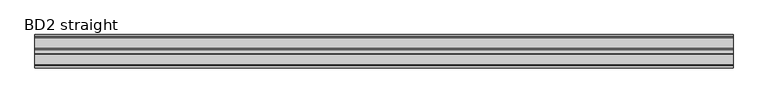
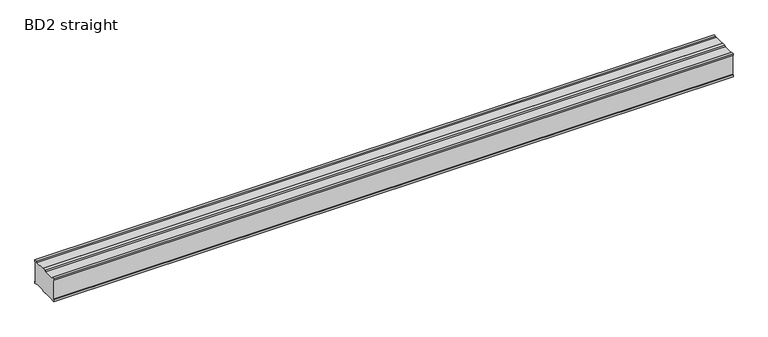
"""IFC4 building model written with IfcOpenShell, lengths in millimetres: proxy geometry, BD2 straight."""

import ifcopenshell
import ifcopenshell.guid

model = None  # the IFC model being written
_history = None  # IfcOwnerHistory: only IFC2X3 demands one
_inside = {}  # id of a spatial element -> (the spatial element, [elements in it])
_under = {}  # id of a project, library or spatial element -> (it, [spatial elements below it])
_declared = {}  # id of a project -> (the project, [libraries it declares])
_typed = {}  # id of a type object -> (the type object, [elements of that type])
_made_of = {}  # id of a material, layer set ... -> (it, [elements and type objects made of it])


def new_model(schema):
    """Start an empty IFC model of exactly this schema.

    Asked for "IFC4X3", IfcOpenShell would pick the latest addendum, in which some entities
    have other attributes; the version numbers below select the first issue.
    IFC2X3 requires an IfcOwnerHistory on every rooted entity: one is made here for all.
    """
    global model, _history
    if schema == "IFC4X3":
        model = ifcopenshell.file(schema_version=(4, 3, 0, 0))
    else:
        model = ifcopenshell.file(schema=schema)
    _inside.clear()
    _under.clear()
    _declared.clear()
    _typed.clear()
    _made_of.clear()
    _history = None
    if model.schema == "IFC2X3":
        org = make("IfcOrganization", Name="unknown")
        user = make(
            "IfcPersonAndOrganization",
            ThePerson=make("IfcPerson", FamilyName="unknown"),
            TheOrganization=org,
        )
        app = make(
            "IfcApplication",
            ApplicationDeveloper=org,
            Version="unknown",
            ApplicationFullName="unknown",
            ApplicationIdentifier="unknown",
        )
        _history = make(
            "IfcOwnerHistory",
            OwningUser=user,
            OwningApplication=app,
            ChangeAction="ADDED",
            CreationDate=0,
        )
    return model


def make(cls, **values):
    """One entity of the class cls with the attributes given. An attribute that is None is left unset."""
    return model.create_entity(
        cls, **{name: value for name, value in values.items() if value is not None}
    )


def rooted(cls, **values):
    """An entity with a GlobalId (a new one), such as an element, a storey or a relation."""
    return make(cls, GlobalId=ifcopenshell.guid.new(), OwnerHistory=_history, **values)


def si_unit(unit_type, name, prefix=None):
    """IfcSIUnit, for example si_unit("LENGTHUNIT", "METRE", prefix="MILLI")."""
    return make("IfcSIUnit", UnitType=unit_type, Prefix=prefix, Name=name)


def assignment(units):
    """IfcUnitAssignment: the units of a project."""
    return None if units is None else make("IfcUnitAssignment", Units=units)


def point(xyz):
    """IfcCartesianPoint."""
    return None if xyz is None else make("IfcCartesianPoint", Coordinates=xyz)


def direction(xyz):
    """IfcDirection."""
    return None if xyz is None else make("IfcDirection", DirectionRatios=xyz)


def frame(location, z_axis=None, x_axis=None):
    """IfcAxis2Placement3D, a coordinate frame: its origin and axes. An axis left out is left unset."""
    return make(
        "IfcAxis2Placement3D",
        Location=point(location),
        Axis=direction(z_axis),
        RefDirection=direction(x_axis),
    )


def origin():
    """The frame at (0, 0, 0) with its axes left unset."""
    return frame((0.0, 0.0, 0.0))


def place(relative_to, where):
    """IfcLocalPlacement: puts the frame where relative to a parent placement (None: the world)."""
    return make(
        "IfcLocalPlacement", PlacementRelTo=relative_to, RelativePlacement=where
    )


def context(
    kind, dimensions, precision=None, world=None, true_north=None, identifier=None
):
    """IfcGeometricRepresentationContext, for example the 3D "Model" context."""
    return make(
        "IfcGeometricRepresentationContext",
        ContextIdentifier=identifier,
        ContextType=kind,
        CoordinateSpaceDimension=dimensions,
        Precision=precision,
        WorldCoordinateSystem=world,
        TrueNorth=true_north,
    )


def project(units=None, contexts=None):
    """IfcProject with its units and contexts."""
    return rooted(
        "IfcProject",
        Name="project",
        RepresentationContexts=contexts,
        UnitsInContext=assignment(units),
    )


def spatial(cls, under=None, at=None, **own):
    """A site, building, storey or space (cls), placed at a placement, below another one or the project."""
    s = rooted(cls, ObjectPlacement=at, **own)
    if under is not None:
        _under.setdefault(under.id(), (under, []))[1].append(s)
    return s


def polyline(points):
    """IfcPolyline through the points."""
    return make("IfcPolyline", Points=[point(p) for p in points])


def outline(outer, holes=None, kind="AREA"):
    """IfcArbitraryClosedProfileDef: a profile drawn as a closed curve; with holes, ...WithVoids."""
    if holes is None:
        return make("IfcArbitraryClosedProfileDef", ProfileType=kind, OuterCurve=outer)
    return make(
        "IfcArbitraryProfileDefWithVoids",
        ProfileType=kind,
        OuterCurve=outer,
        InnerCurves=holes,
    )


def extrude(swept, where, along, depth):
    """IfcExtrudedAreaSolid: the profile swept, set in the frame where, extruded along a direction by depth."""
    return make(
        "IfcExtrudedAreaSolid",
        SweptArea=swept,
        Position=where,
        ExtrudedDirection=direction(along),
        Depth=depth,
    )


def shape(context_of_items, identifier, shape_type, items):
    """IfcShapeRepresentation: the items that make up one representation, for example the "Body"."""
    return make(
        "IfcShapeRepresentation",
        ContextOfItems=context_of_items,
        RepresentationIdentifier=identifier,
        RepresentationType=shape_type,
        Items=items,
    )


def source(mapping_origin, context_of_items, identifier, shape_type, items):
    """IfcRepresentationMap: a shape defined once, which mapped items show again and again."""
    return make(
        "IfcRepresentationMap",
        MappingOrigin=mapping_origin,
        MappedRepresentation=shape(context_of_items, identifier, shape_type, items),
    )


def transform(
    local_origin,
    x_axis=None,
    y_axis=None,
    z_axis=None,
    scale=None,
    scale2=None,
    scale3=None,
    uniform=True,
):
    """IfcCartesianTransformationOperator3D, or its non-uniform kind. x_axis, y_axis, z_axis: its Axis1, 2, 3."""
    if uniform:
        return make(
            "IfcCartesianTransformationOperator3D",
            Axis1=direction(x_axis),
            Axis2=direction(y_axis),
            LocalOrigin=point(local_origin),
            Scale=scale,
            Axis3=direction(z_axis),
        )
    return make(
        "IfcCartesianTransformationOperator3DnonUniform",
        Axis1=direction(x_axis),
        Axis2=direction(y_axis),
        LocalOrigin=point(local_origin),
        Scale=scale,
        Axis3=direction(z_axis),
        Scale2=scale2,
        Scale3=scale3,
    )


def mapped(mapping_source, mapping_target):
    """IfcMappedItem: shows the shape of a source again, moved by a transform."""
    return make(
        "IfcMappedItem", MappingSource=mapping_source, MappingTarget=mapping_target
    )


def made_of(thing, what):
    """Note that an element or type object is made of a material, layer set ...; save() writes the relation."""
    if what is not None:
        _made_of.setdefault(what.id(), (what, []))[1].append(thing)
    return thing


def element(
    cls,
    number,
    at=None,
    inside=None,
    cuts=None,
    type_object=None,
    material=None,
    context=None,
    identifier="Body",
    shape_type=None,
    held_by="IfcProductDefinitionShape",
    body=None,
    shapes=None,
    **own,
):
    """One element of the class cls, such as IfcWall. Its Tag is "e" and its number.

    at: its placement. inside: the storey or other place that contains it. cuts: it is an
    opening in that element (IfcRelVoidsElement). A single representation is given by context,
    identifier, shape_type and body (its items); several are given by shapes. held_by: the class
    of the entity that holds the representations. save() writes the other relations.
    """
    e = rooted(cls, Tag="e%d" % number, ObjectPlacement=at, **own)
    if body is not None:
        shapes = [shape(context, identifier, shape_type, body)]
    if shapes is not None:
        e.Representation = make(held_by, Representations=shapes)
    if inside is not None:
        _inside.setdefault(inside.id(), (inside, []))[1].append(e)
    if cuts is not None:
        rooted(
            "IfcRelVoidsElement", RelatingBuildingElement=cuts, RelatedOpeningElement=e
        )
    if type_object is not None:
        _typed.setdefault(type_object.id(), (type_object, []))[1].append(e)
    return made_of(e, material)


def aggregate(whole, parts):
    """IfcRelAggregates: a whole, such as a stair, and the parts it consists of."""
    return rooted("IfcRelAggregates", RelatingObject=whole, RelatedObjects=parts)


def save(model, path):
    """Write the relations noted so far, then the file.

    IfcRelAggregates (storeys below a building ...), IfcRelContainedInSpatialStructure (elements
    in a storey), IfcRelDefinesByType, IfcRelAssociatesMaterial and IfcRelDeclares: one each for
    every whole, place, type object, material and project.
    """
    for whole, parts in _under.values():
        aggregate(whole, parts)
    for where, things in _inside.values():
        rooted(
            "IfcRelContainedInSpatialStructure",
            RelatedElements=things,
            RelatingStructure=where,
        )
    for kind, things in _typed.values():
        rooted("IfcRelDefinesByType", RelatedObjects=things, RelatingType=kind)
    for what, things in _made_of.values():
        rooted("IfcRelAssociatesMaterial", RelatedObjects=things, RelatingMaterial=what)
    for by, libraries in _declared.values():
        rooted("IfcRelDeclares", RelatingContext=by, RelatedDefinitions=libraries)
    model.write(path)


def bd2_straight_38daa17c(model_context):
    return source(origin(), model_context, "Body", "SweptSolid", [
        extrude(outline(polyline([(162.0, 116.0), (162.0, 10.0), (167.0, 10.0), (167.0, 0.0), (157.0, 0.0), (152.0, 5.0), (98.5, 5.0), (93.5, 0.0), (73.5, 0.0), (68.5, 5.0), (15.0, 5.0), (10.0, 0.0), (0.0, 0.0), (0.0, 10.0), (5.0, 10.0), (5.0, 116.0), (0.0, 116.0), (0.0, 126.0), (10.0, 126.0), (15.0, 121.0), (68.5, 121.0), (73.5, 126.0), (93.5, 126.0), (98.5, 121.0), (152.0, 121.0), (157.0, 126.0), (167.0, 126.0), (167.0, 116.0), (162.0, 116.0)])), frame((0.0, 0.0, 0.0), z_axis=(1.0, 0.0, 0.0), x_axis=(0.0, 1.0, 0.0)), (0.0, 0.0, 1.0), 3500.0),
    ])


if __name__ == "__main__":
    model = new_model("IFC4")
    model_context = context("Model", 3, world=origin())
    ifc_project = project(units=[si_unit("LENGTHUNIT", "METRE", prefix="MILLI")], contexts=[model_context])
    site = spatial("IfcSite", under=ifc_project)
    building = spatial("IfcBuilding", under=site)
    placement = place(None, origin())
    bd2_straight_shape = bd2_straight_38daa17c(model_context)
    element("IfcBuildingElementProxy", 1, Name="BD2 straight", ObjectType="BD2 straight", at=placement, inside=building, context=model_context, shape_type="MappedRepresentation", body=[
        mapped(bd2_straight_shape, transform((0.0, 0.0, 0.0), x_axis=(1.0, 0.0, 0.0), y_axis=(0.0, 1.0, 0.0), z_axis=(0.0, 0.0, 1.0))),
    ])
    save(model, "model.ifc")
